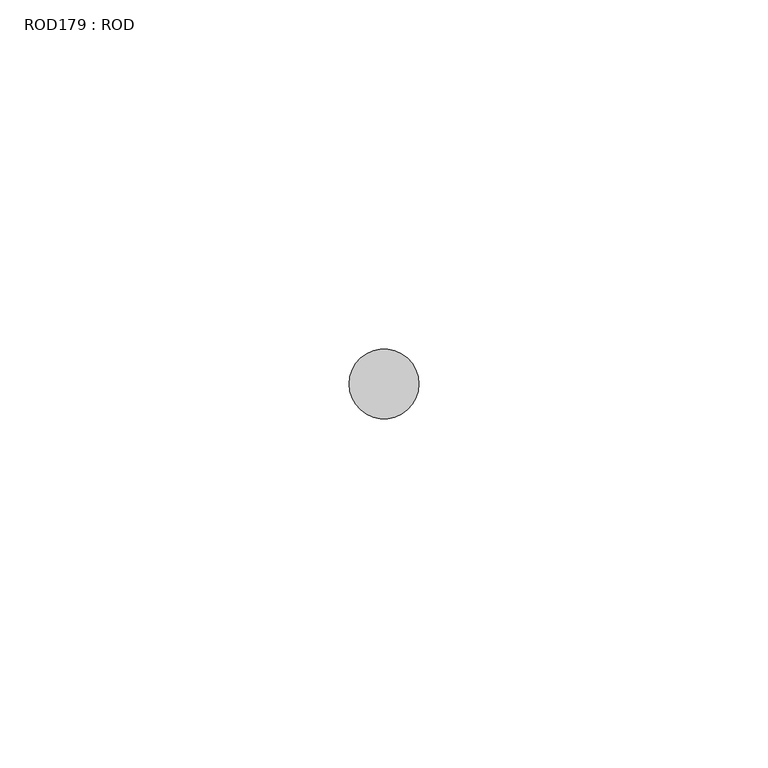
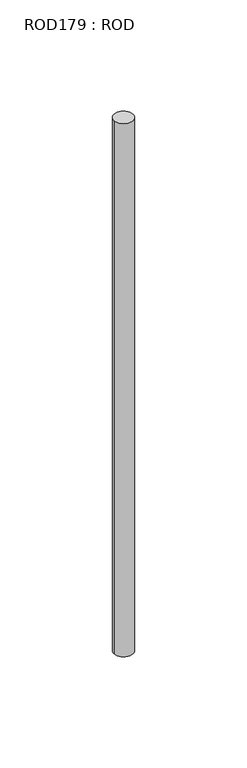
"""IFC4 building model written with IfcOpenShell, lengths in millimetres: proxy geometry, ROD179 : ROD."""

from ifc_helpers import new_model, si_unit, point, frame, frame_2d, origin, place, context, project, spatial, circle_curve, trimmed, segment, composite_curve, outline, extrude, source, transform, mapped, element, save


def rod179_rod_c0620780(model_context):
    return source(origin(), model_context, "Body", "SweptSolid", [
        extrude(outline(composite_curve([segment(trimmed(circle_curve(frame_2d((8399.7673324, -21568.1048728)), 5.0), [point((8394.7673324, -21568.1048728))], [point((8404.7673324, -21568.1048728))], False, "CARTESIAN"), True, "CONTINUOUS"), segment(trimmed(circle_curve(frame_2d((8399.7673324, -21568.1048728)), 5.0), [point((8404.7673324, -21568.1048728))], [point((8394.7673324, -21568.1048728))], False, "CARTESIAN"), True, "CONTINUOUS")], self_intersect=False)), frame((0.0, 0.0, 166.3391155), z_axis=(0.0, 0.0, 1.0), x_axis=(1.0, 0.0, 0.0)), (0.0, 0.0, 1.0), 298.9028972),
    ])


if __name__ == "__main__":
    model = new_model("IFC4")
    model_context = context("Model", 3, world=origin())
    ifc_project = project(units=[si_unit("LENGTHUNIT", "METRE", prefix="MILLI")], contexts=[model_context])
    site = spatial("IfcSite", under=ifc_project)
    building = spatial("IfcBuilding", under=site)
    placement = place(None, origin())
    rod179_rod_shape = rod179_rod_c0620780(model_context)
    element("IfcBuildingElementProxy", 1, Name="ROD179 : ROD", ObjectType="ROD179 : ROD", at=placement, inside=building, context=model_context, shape_type="MappedRepresentation", body=[
        mapped(rod179_rod_shape, transform((0.0, 0.0, 0.0), x_axis=(1.0, 0.0, 0.0), y_axis=(0.0, 1.0, 0.0), z_axis=(0.0, 0.0, 1.0))),
    ])
    save(model, "model.ifc")
